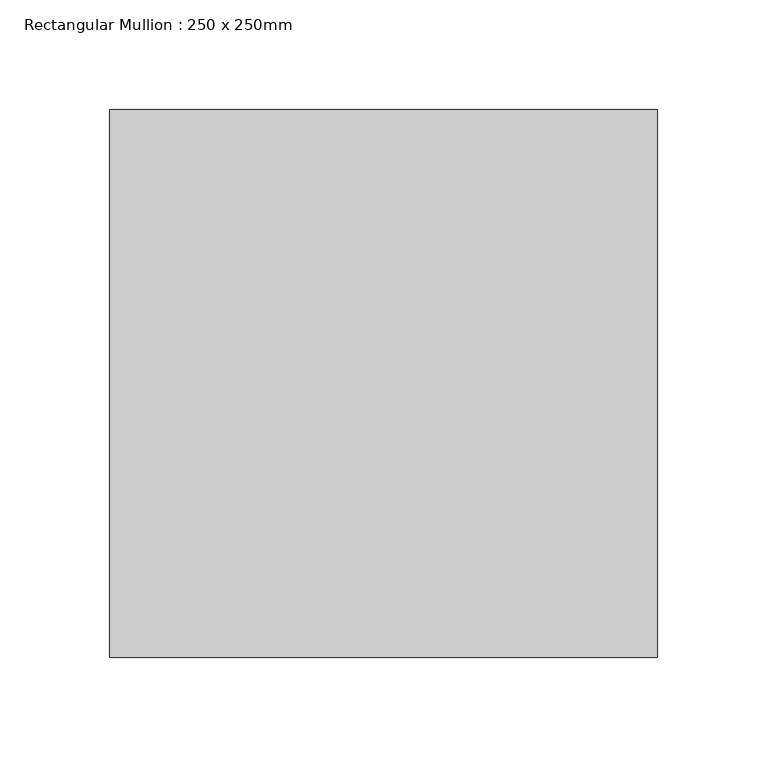
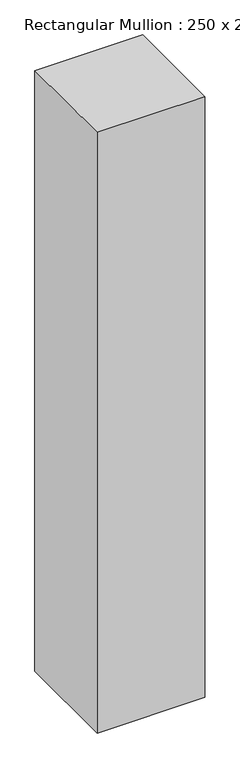
"""IFC4 building model written with IfcOpenShell, lengths in millimetres: member geometry, Rectangular Mullion : 250 x 250mm."""

from ifc_helpers import new_model, si_unit, frame, origin, place, context, project, spatial, polyline, outline, extrude, source, transform, mapped, element, save


def rectangular_mullion_250_x_250mm_726272f2(model_context):
    return source(origin(), model_context, "Body", "SweptSolid", [
        extrude(outline(polyline([(0.0, 125.0), (0.0, -125.0), (-250.0, -125.0), (-250.0, 125.0), (0.0, 125.0)])), frame((0.0, 0.0, -1474.9193713), z_axis=(0.0, 0.0, 1.0), x_axis=(1.0, 0.0, 0.0)), (0.0, 0.0, 1.0), 1474.9193713),
    ])


if __name__ == "__main__":
    model = new_model("IFC4")
    model_context = context("Model", 3, world=origin())
    ifc_project = project(units=[si_unit("LENGTHUNIT", "METRE", prefix="MILLI")], contexts=[model_context])
    site = spatial("IfcSite", under=ifc_project)
    building = spatial("IfcBuilding", under=site)
    placement = place(None, origin())
    rectangular_mullion_250_x_250mm_shape = rectangular_mullion_250_x_250mm_726272f2(model_context)
    element("IfcMember", 1, ObjectType="Rectangular Mullion : 250 x 250mm", at=placement, inside=building, context=model_context, shape_type="MappedRepresentation", body=[
        mapped(rectangular_mullion_250_x_250mm_shape, transform((0.0, 0.0, 0.0), x_axis=(1.0, 0.0, 0.0), y_axis=(0.0, 1.0, 0.0), z_axis=(0.0, 0.0, 1.0))),
    ])
    save(model, "model.ifc")
